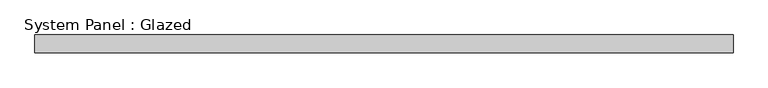
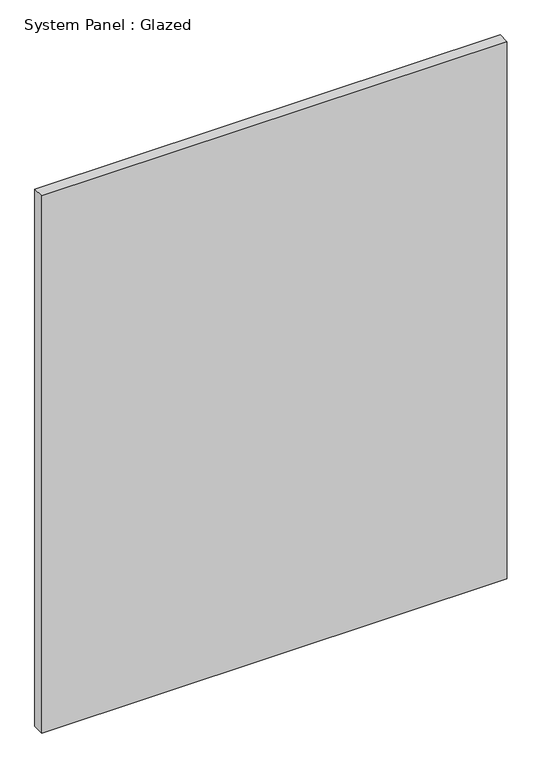
"""IFC4 building model written with IfcOpenShell, lengths in millimetres: plate geometry, System Panel : Glazed."""

from ifc_helpers import new_model, si_unit, origin, origin_with_axes, place, context, project, spatial, polyline, outline, extrude, source, transform, mapped, element, save


def system_panel_glazed_7e6b9b44(model_context):
    return source(origin(), model_context, "Body", "SweptSolid", [
        extrude(outline(polyline([(499.8739519, -44.45), (-499.8739519, -44.45), (-499.8739519, -19.05), (499.8739519, -19.05), (499.8739519, -44.45)])), origin_with_axes(), (0.0, 0.0, 1.0), 1219.2),
    ])


if __name__ == "__main__":
    model = new_model("IFC4")
    model_context = context("Model", 3, world=origin())
    ifc_project = project(units=[si_unit("LENGTHUNIT", "METRE", prefix="MILLI")], contexts=[model_context])
    site = spatial("IfcSite", under=ifc_project)
    building = spatial("IfcBuilding", under=site)
    placement = place(None, origin())
    system_panel_glazed_shape = system_panel_glazed_7e6b9b44(model_context)
    element("IfcPlate", 1, ObjectType="System Panel : Glazed", at=placement, inside=building, context=model_context, shape_type="MappedRepresentation", body=[
        mapped(system_panel_glazed_shape, transform((0.0, 0.0, 0.0), x_axis=(1.0, 0.0, 0.0), y_axis=(0.0, 1.0, 0.0), z_axis=(0.0, 0.0, 1.0))),
    ])
    save(model, "model.ifc")
